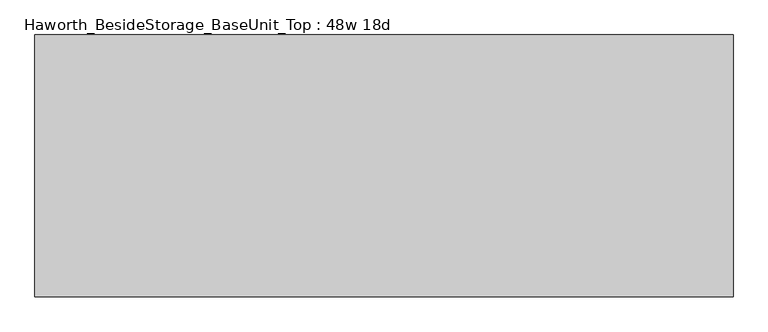
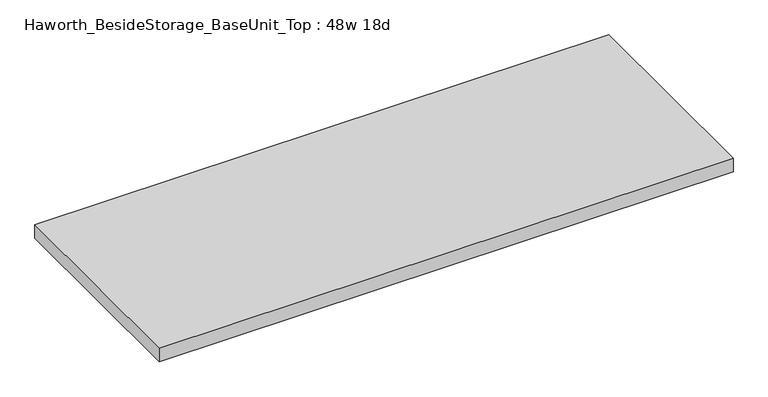
"""IFC4 building model written with IfcOpenShell, lengths in millimetres: furniture geometry, Haworth_BesideStorage_BaseUnit_Top : 48w 18d."""

import ifcopenshell
import ifcopenshell.guid

model = None  # the IFC model being written
_history = None  # IfcOwnerHistory: only IFC2X3 demands one
_inside = {}  # id of a spatial element -> (the spatial element, [elements in it])
_under = {}  # id of a project, library or spatial element -> (it, [spatial elements below it])
_declared = {}  # id of a project -> (the project, [libraries it declares])
_typed = {}  # id of a type object -> (the type object, [elements of that type])
_made_of = {}  # id of a material, layer set ... -> (it, [elements and type objects made of it])


def new_model(schema):
    """Start an empty IFC model of exactly this schema.

    Asked for "IFC4X3", IfcOpenShell would pick the latest addendum, in which some entities
    have other attributes; the version numbers below select the first issue.
    IFC2X3 requires an IfcOwnerHistory on every rooted entity: one is made here for all.
    """
    global model, _history
    if schema == "IFC4X3":
        model = ifcopenshell.file(schema_version=(4, 3, 0, 0))
    else:
        model = ifcopenshell.file(schema=schema)
    _inside.clear()
    _under.clear()
    _declared.clear()
    _typed.clear()
    _made_of.clear()
    _history = None
    if model.schema == "IFC2X3":
        org = make("IfcOrganization", Name="unknown")
        user = make(
            "IfcPersonAndOrganization",
            ThePerson=make("IfcPerson", FamilyName="unknown"),
            TheOrganization=org,
        )
        app = make(
            "IfcApplication",
            ApplicationDeveloper=org,
            Version="unknown",
            ApplicationFullName="unknown",
            ApplicationIdentifier="unknown",
        )
        _history = make(
            "IfcOwnerHistory",
            OwningUser=user,
            OwningApplication=app,
            ChangeAction="ADDED",
            CreationDate=0,
        )
    return model


def make(cls, **values):
    """One entity of the class cls with the attributes given. An attribute that is None is left unset."""
    return model.create_entity(
        cls, **{name: value for name, value in values.items() if value is not None}
    )


def rooted(cls, **values):
    """An entity with a GlobalId (a new one), such as an element, a storey or a relation."""
    return make(cls, GlobalId=ifcopenshell.guid.new(), OwnerHistory=_history, **values)


def si_unit(unit_type, name, prefix=None):
    """IfcSIUnit, for example si_unit("LENGTHUNIT", "METRE", prefix="MILLI")."""
    return make("IfcSIUnit", UnitType=unit_type, Prefix=prefix, Name=name)


def assignment(units):
    """IfcUnitAssignment: the units of a project."""
    return None if units is None else make("IfcUnitAssignment", Units=units)


def point(xyz):
    """IfcCartesianPoint."""
    return None if xyz is None else make("IfcCartesianPoint", Coordinates=xyz)


def direction(xyz):
    """IfcDirection."""
    return None if xyz is None else make("IfcDirection", DirectionRatios=xyz)


def frame(location, z_axis=None, x_axis=None):
    """IfcAxis2Placement3D, a coordinate frame: its origin and axes. An axis left out is left unset."""
    return make(
        "IfcAxis2Placement3D",
        Location=point(location),
        Axis=direction(z_axis),
        RefDirection=direction(x_axis),
    )


def origin():
    """The frame at (0, 0, 0) with its axes left unset."""
    return frame((0.0, 0.0, 0.0))


def place(relative_to, where):
    """IfcLocalPlacement: puts the frame where relative to a parent placement (None: the world)."""
    return make(
        "IfcLocalPlacement", PlacementRelTo=relative_to, RelativePlacement=where
    )


def context(
    kind, dimensions, precision=None, world=None, true_north=None, identifier=None
):
    """IfcGeometricRepresentationContext, for example the 3D "Model" context."""
    return make(
        "IfcGeometricRepresentationContext",
        ContextIdentifier=identifier,
        ContextType=kind,
        CoordinateSpaceDimension=dimensions,
        Precision=precision,
        WorldCoordinateSystem=world,
        TrueNorth=true_north,
    )


def project(units=None, contexts=None):
    """IfcProject with its units and contexts."""
    return rooted(
        "IfcProject",
        Name="project",
        RepresentationContexts=contexts,
        UnitsInContext=assignment(units),
    )


def spatial(cls, under=None, at=None, **own):
    """A site, building, storey or space (cls), placed at a placement, below another one or the project."""
    s = rooted(cls, ObjectPlacement=at, **own)
    if under is not None:
        _under.setdefault(under.id(), (under, []))[1].append(s)
    return s


def polyline(points):
    """IfcPolyline through the points."""
    return make("IfcPolyline", Points=[point(p) for p in points])


def outline(outer, holes=None, kind="AREA"):
    """IfcArbitraryClosedProfileDef: a profile drawn as a closed curve; with holes, ...WithVoids."""
    if holes is None:
        return make("IfcArbitraryClosedProfileDef", ProfileType=kind, OuterCurve=outer)
    return make(
        "IfcArbitraryProfileDefWithVoids",
        ProfileType=kind,
        OuterCurve=outer,
        InnerCurves=holes,
    )


def extrude(swept, where, along, depth):
    """IfcExtrudedAreaSolid: the profile swept, set in the frame where, extruded along a direction by depth."""
    return make(
        "IfcExtrudedAreaSolid",
        SweptArea=swept,
        Position=where,
        ExtrudedDirection=direction(along),
        Depth=depth,
    )


def shape(context_of_items, identifier, shape_type, items):
    """IfcShapeRepresentation: the items that make up one representation, for example the "Body"."""
    return make(
        "IfcShapeRepresentation",
        ContextOfItems=context_of_items,
        RepresentationIdentifier=identifier,
        RepresentationType=shape_type,
        Items=items,
    )


def source(mapping_origin, context_of_items, identifier, shape_type, items):
    """IfcRepresentationMap: a shape defined once, which mapped items show again and again."""
    return make(
        "IfcRepresentationMap",
        MappingOrigin=mapping_origin,
        MappedRepresentation=shape(context_of_items, identifier, shape_type, items),
    )


def transform(
    local_origin,
    x_axis=None,
    y_axis=None,
    z_axis=None,
    scale=None,
    scale2=None,
    scale3=None,
    uniform=True,
):
    """IfcCartesianTransformationOperator3D, or its non-uniform kind. x_axis, y_axis, z_axis: its Axis1, 2, 3."""
    if uniform:
        return make(
            "IfcCartesianTransformationOperator3D",
            Axis1=direction(x_axis),
            Axis2=direction(y_axis),
            LocalOrigin=point(local_origin),
            Scale=scale,
            Axis3=direction(z_axis),
        )
    return make(
        "IfcCartesianTransformationOperator3DnonUniform",
        Axis1=direction(x_axis),
        Axis2=direction(y_axis),
        LocalOrigin=point(local_origin),
        Scale=scale,
        Axis3=direction(z_axis),
        Scale2=scale2,
        Scale3=scale3,
    )


def mapped(mapping_source, mapping_target):
    """IfcMappedItem: shows the shape of a source again, moved by a transform."""
    return make(
        "IfcMappedItem", MappingSource=mapping_source, MappingTarget=mapping_target
    )


def made_of(thing, what):
    """Note that an element or type object is made of a material, layer set ...; save() writes the relation."""
    if what is not None:
        _made_of.setdefault(what.id(), (what, []))[1].append(thing)
    return thing


def element(
    cls,
    number,
    at=None,
    inside=None,
    cuts=None,
    type_object=None,
    material=None,
    context=None,
    identifier="Body",
    shape_type=None,
    held_by="IfcProductDefinitionShape",
    body=None,
    shapes=None,
    **own,
):
    """One element of the class cls, such as IfcWall. Its Tag is "e" and its number.

    at: its placement. inside: the storey or other place that contains it. cuts: it is an
    opening in that element (IfcRelVoidsElement). A single representation is given by context,
    identifier, shape_type and body (its items); several are given by shapes. held_by: the class
    of the entity that holds the representations. save() writes the other relations.
    """
    e = rooted(cls, Tag="e%d" % number, ObjectPlacement=at, **own)
    if body is not None:
        shapes = [shape(context, identifier, shape_type, body)]
    if shapes is not None:
        e.Representation = make(held_by, Representations=shapes)
    if inside is not None:
        _inside.setdefault(inside.id(), (inside, []))[1].append(e)
    if cuts is not None:
        rooted(
            "IfcRelVoidsElement", RelatingBuildingElement=cuts, RelatedOpeningElement=e
        )
    if type_object is not None:
        _typed.setdefault(type_object.id(), (type_object, []))[1].append(e)
    return made_of(e, material)


def aggregate(whole, parts):
    """IfcRelAggregates: a whole, such as a stair, and the parts it consists of."""
    return rooted("IfcRelAggregates", RelatingObject=whole, RelatedObjects=parts)


def save(model, path):
    """Write the relations noted so far, then the file.

    IfcRelAggregates (storeys below a building ...), IfcRelContainedInSpatialStructure (elements
    in a storey), IfcRelDefinesByType, IfcRelAssociatesMaterial and IfcRelDeclares: one each for
    every whole, place, type object, material and project.
    """
    for whole, parts in _under.values():
        aggregate(whole, parts)
    for where, things in _inside.values():
        rooted(
            "IfcRelContainedInSpatialStructure",
            RelatedElements=things,
            RelatingStructure=where,
        )
    for kind, things in _typed.values():
        rooted("IfcRelDefinesByType", RelatedObjects=things, RelatingType=kind)
    for what, things in _made_of.values():
        rooted("IfcRelAssociatesMaterial", RelatedObjects=things, RelatingMaterial=what)
    for by, libraries in _declared.values():
        rooted("IfcRelDeclares", RelatingContext=by, RelatedDefinitions=libraries)
    model.write(path)


def haworth_besidestorage_baseunit_top_48w_18d_5bcb1045(model_context):
    return source(origin(), model_context, "Body", "SweptSolid", [
        extrude(outline(polyline([(609.6, 228.6), (609.6, -228.6), (-609.6, -228.6), (-609.6, 228.6), (609.6, 228.6)])), frame((0.0, 0.0, 706.4375), z_axis=(0.0, 0.0, 1.0), x_axis=(1.0, 0.0, 0.0)), (0.0, 0.0, 1.0), 30.1625),
    ])


if __name__ == "__main__":
    model = new_model("IFC4")
    model_context = context("Model", 3, world=origin())
    ifc_project = project(units=[si_unit("LENGTHUNIT", "METRE", prefix="MILLI")], contexts=[model_context])
    site = spatial("IfcSite", under=ifc_project)
    building = spatial("IfcBuilding", under=site)
    placement = place(None, origin())
    haworth_besidestorage_baseunit_top_48w_18d_shape = haworth_besidestorage_baseunit_top_48w_18d_5bcb1045(model_context)
    element("IfcFurniture", 1, ObjectType="Haworth_BesideStorage_BaseUnit_Top : 48w 18d", at=placement, inside=building, context=model_context, shape_type="MappedRepresentation", body=[
        mapped(haworth_besidestorage_baseunit_top_48w_18d_shape, transform((0.0, 0.0, 0.0), x_axis=(1.0, 0.0, 0.0), y_axis=(0.0, 1.0, 0.0), z_axis=(0.0, 0.0, 1.0))),
    ])
    save(model, "model.ifc")
